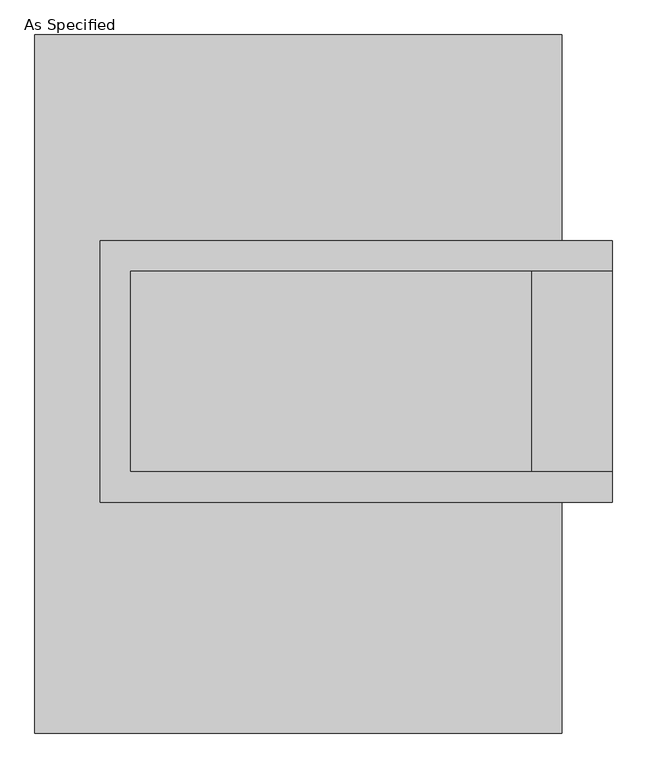
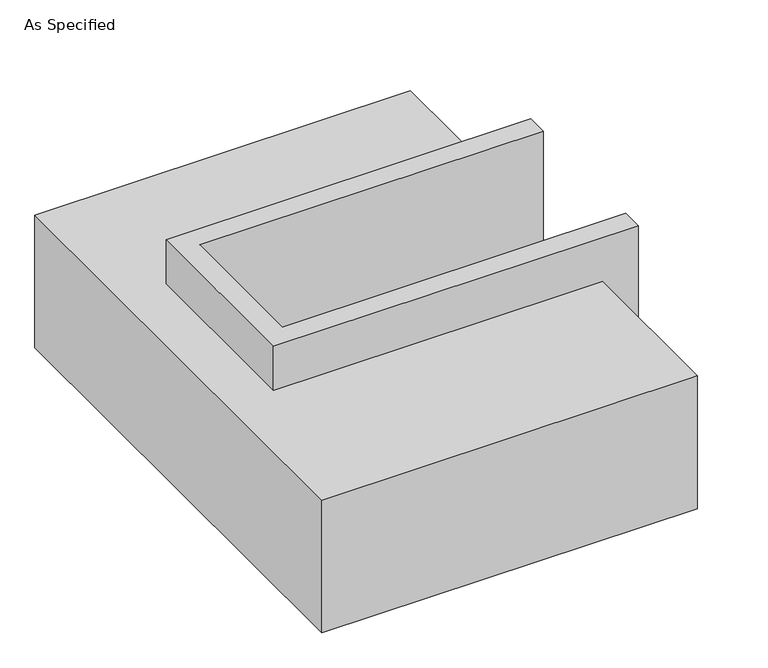
"""IFC4 building model written with IfcOpenShell, lengths in millimetres: proxy geometry, As Specified."""

from ifc_helpers import new_model, si_unit, origin, place, context, project, spatial, faceted_brep, source, transform, mapped, element, save


def as_specified_c6866bf8(model_context):
    return source(origin(), model_context, "Body", "Brep", [
        faceted_brep([(-501.65, 361.95, 139.7), (-501.65, 361.95, -393.7), (-501.65, 285.75, -393.7), (-501.65, 285.75, -25.4), (-501.65, -222.25, -25.4), (-501.65, -222.25, -393.7), (-501.65, -298.45, -393.7), (-501.65, -298.45, 139.7), (793.75, 285.75, 139.7), (793.75, 285.75, -317.5), (793.75, -222.25, -317.5), (793.75, -222.25, 139.7), (793.75, -298.45, 139.7), (793.75, -298.45, -393.7), (793.75, 361.95, -393.7), (793.75, 361.95, 139.7), (-425.45, -222.25, 139.7), (-425.45, 285.75, 139.7), (590.55, -222.25, -393.7), (590.55, 285.75, -393.7), (590.55, -222.25, -317.5), (-425.45, -222.25, -25.4), (590.55, 285.75, -317.5), (-425.45, 285.75, -25.4)], [[[0, 1, 2, 3, 4, 5, 6, 7]], [[8, 9, 10, 11, 12, 13, 14, 15]], [[0, 7, 12, 11, 16, 17, 8, 15]], [[1, 0, 15, 14]], [[14, 13, 6, 5, 18, 19, 2, 1]], [[7, 6, 13, 12]], [[11, 10, 20, 18, 5, 4, 21, 16]], [[10, 9, 22, 20]], [[9, 8, 17, 23, 3, 2, 19, 22]], [[18, 20, 22, 19]], [[23, 21, 4, 3]], [[17, 16, 21, 23]]]),
        faceted_brep([(-666.75, 882.65, -523.9742188), (666.75, 882.65, -523.9742188), (666.75, -882.65, -523.9742188), (-666.75, -882.65, -523.9742188), (666.75, 882.65, -25.4), (-666.75, 882.65, -25.4), (-666.75, -882.65, -25.4), (666.75, -882.65, -25.4), (666.75, -298.45, -25.4), (-501.65, -298.45, -25.4), (-501.65, 361.95, -25.4), (666.75, 361.95, -25.4), (666.75, 361.95, -393.7), (666.75, -298.45, -393.7), (-501.65, -298.45, -393.7), (-501.65, 361.95, -393.7)], [[[0, 1, 2, 3]], [[4, 5, 6, 7, 8, 9, 10, 11]], [[1, 0, 5, 4]], [[5, 0, 3, 6]], [[1, 4, 11, 12, 13, 8, 7, 2]], [[3, 2, 7, 6]], [[14, 15, 10, 9]], [[10, 15, 12, 11]], [[15, 14, 13, 12]], [[14, 9, 8, 13]]]),
    ])


if __name__ == "__main__":
    model = new_model("IFC4")
    model_context = context("Model", 3, world=origin())
    ifc_project = project(units=[si_unit("LENGTHUNIT", "METRE", prefix="MILLI")], contexts=[model_context])
    site = spatial("IfcSite", under=ifc_project)
    building = spatial("IfcBuilding", under=site)
    placement = place(None, origin())
    as_specified_shape = as_specified_c6866bf8(model_context)
    element("IfcBuildingElementProxy", 1, Name="As Specified", ObjectType="As Specified", at=placement, inside=building, context=model_context, shape_type="MappedRepresentation", body=[
        mapped(as_specified_shape, transform((0.0, 0.0, 0.0), x_axis=(1.0, 0.0, 0.0), y_axis=(0.0, 1.0, 0.0), z_axis=(0.0, 0.0, 1.0))),
    ])
    save(model, "model.ifc")
